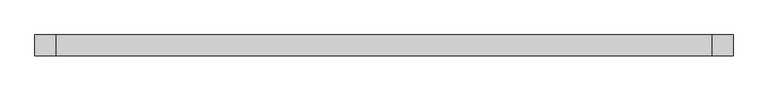
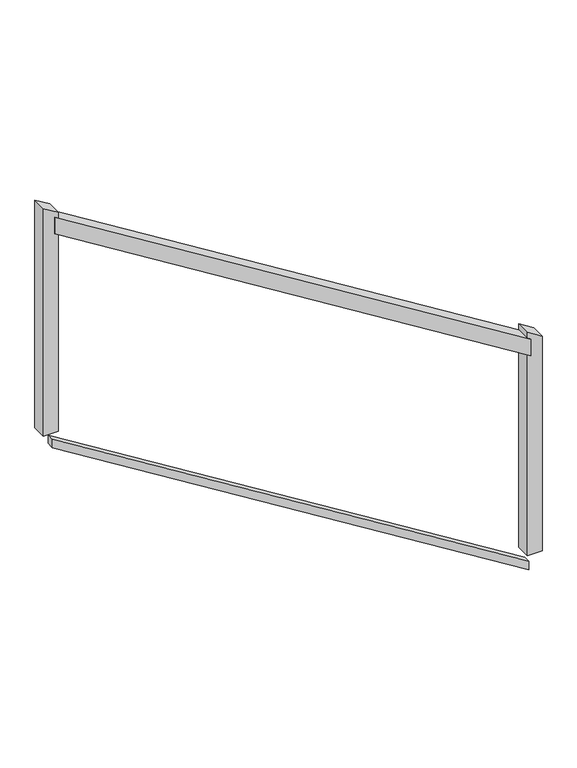
"""IFC4 building model written with IfcOpenShell, lengths in millimetres: railing geometry."""

from ifc_helpers import new_model, si_unit, frame, origin, place, context, project, spatial, polyline, outline, extrude, source, transform, mapped, element, save


def railing_5e9b44ef(model_context):
    return source(origin(), model_context, "Body", "SweptSolid", [
        extrude(outline(polyline([(5154.5063499, -18278.6629276), (5214.2936501, -18278.6629276), (6227.0936501, -19910.6629276), (6167.3063499, -19910.6629276), (5154.5063499, -18278.6629276)])), frame((0.0, 121115.2306038, 0.0), z_axis=(0.0, 1.0, 0.0), x_axis=(0.0, 0.0, 1.0)), (0.0, 0.0, 1.0), 50.8),
        extrude(outline(polyline([(4371.853175, -18278.6629276), (4401.746825, -18278.6629276), (5414.546825, -19910.6629276), (5384.653175, -19910.6629276), (4371.853175, -18278.6629276)])), frame((0.0, 121127.9306038, 0.0), z_axis=(0.0, 1.0, 0.0), x_axis=(0.0, 0.0, 1.0)), (0.0, 0.0, 1.0), 25.4),
        extrude(outline(polyline([(6240.2185294, -19897.9629276), (6271.7444118, -19948.7629276), (5447.2, -19948.7629276), (5447.2, -19897.9629276), (6240.2185294, -19897.9629276)])), frame((0.0, 121115.2306038, 0.0), z_axis=(0.0, 1.0, 0.0), x_axis=(0.0, 0.0, 1.0)), (0.0, 0.0, 1.0), 50.8),
        extrude(outline(polyline([(5211.6555882, -18240.5629276), (5243.1814706, -18291.3629276), (4434.4, -18291.3629276), (4434.4, -18240.5629276), (5211.6555882, -18240.5629276)])), frame((0.0, 121115.2306038, 0.0), z_axis=(0.0, 1.0, 0.0), x_axis=(0.0, 0.0, 1.0)), (0.0, 0.0, 1.0), 50.8),
    ])


if __name__ == "__main__":
    model = new_model("IFC4")
    model_context = context("Model", 3, world=origin())
    ifc_project = project(units=[si_unit("LENGTHUNIT", "METRE", prefix="MILLI")], contexts=[model_context])
    site = spatial("IfcSite", under=ifc_project)
    building = spatial("IfcBuilding", under=site)
    placement = place(None, origin())
    railing_shape = railing_5e9b44ef(model_context)
    element("IfcRailing", 1, at=placement, inside=building, context=model_context, shape_type="MappedRepresentation", body=[
        mapped(railing_shape, transform((0.0, 0.0, 0.0), x_axis=(1.0, 0.0, 0.0), y_axis=(0.0, 1.0, 0.0), z_axis=(0.0, 0.0, 1.0))),
    ])
    save(model, "model.ifc")
